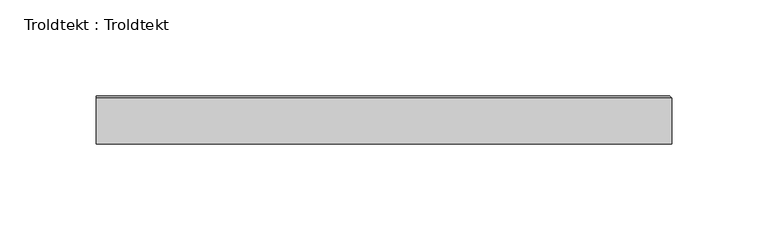
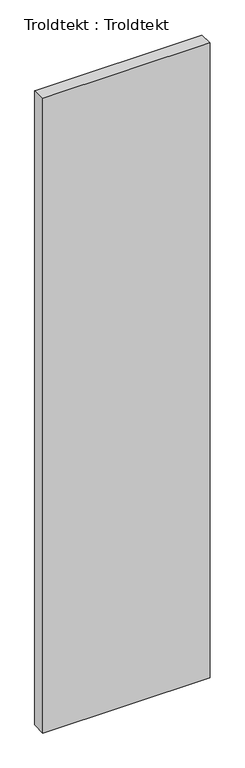
"""IFC4 building model written with IfcOpenShell, lengths in millimetres: proxy geometry, Troldtekt : Troldtekt."""

from ifc_helpers import new_model, si_unit, origin, place, context, project, spatial, faceted_brep, source, transform, mapped, element, save


def troldtekt_troldtekt_473278db(model_context):
    return source(origin(), model_context, "Body", "Brep", [
        faceted_brep([(1.0, -12.5, 1200.0), (300.0, -12.5, 1200.0), (300.0, 11.495044, 1200.0), (1.0, 11.495044, 1200.0), (300.0, -12.5, 0.0), (1.0, -12.5, 0.0), (1.0, 11.495044, 0.0), (300.0, 11.495044, 0.0), (1.0, 12.5, 1.004956), (1.0, 12.5, 1198.995044), (298.995044, 12.5, 1198.995044), (298.995044, 12.5, 1.004956)], [[[0, 1, 2, 3]], [[4, 5, 6, 7]], [[8, 9, 10, 11]], [[4, 1, 0, 5]], [[1, 4, 7, 2]], [[11, 7, 6, 8]], [[7, 11, 10, 2]], [[2, 10, 9, 3]], [[5, 0, 3, 9, 8, 6]]]),
    ])


if __name__ == "__main__":
    model = new_model("IFC4")
    model_context = context("Model", 3, world=origin())
    ifc_project = project(units=[si_unit("LENGTHUNIT", "METRE", prefix="MILLI")], contexts=[model_context])
    site = spatial("IfcSite", under=ifc_project)
    building = spatial("IfcBuilding", under=site)
    placement = place(None, origin())
    troldtekt_troldtekt_shape = troldtekt_troldtekt_473278db(model_context)
    element("IfcBuildingElementProxy", 1, Name="Troldtekt : Troldtekt", ObjectType="Troldtekt : Troldtekt", at=placement, inside=building, context=model_context, shape_type="MappedRepresentation", body=[
        mapped(troldtekt_troldtekt_shape, transform((0.0, 0.0, 0.0), x_axis=(1.0, 0.0, 0.0), y_axis=(0.0, 1.0, 0.0), z_axis=(0.0, 0.0, 1.0))),
    ])
    save(model, "model.ifc")
